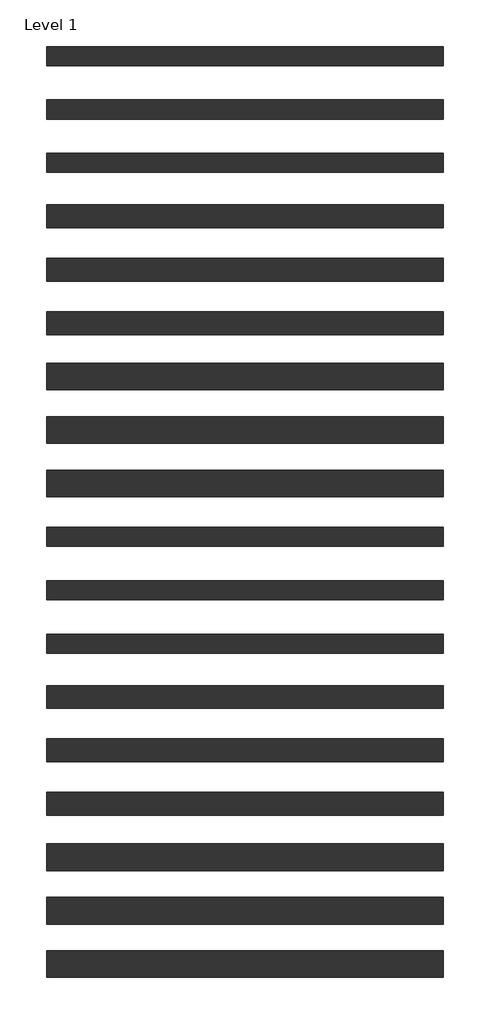
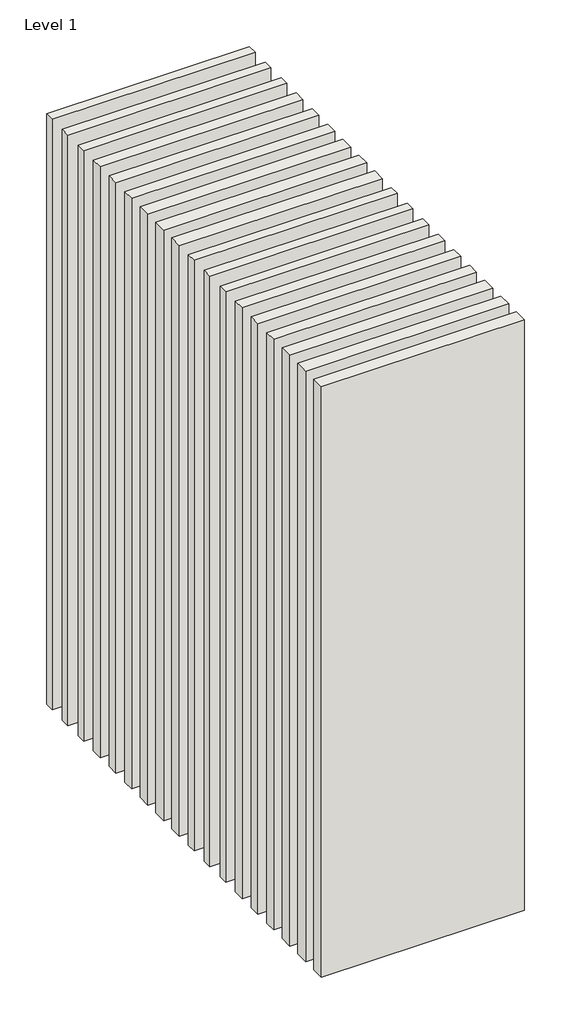
# One storey: 18 walls.
"""IFC4 building model written with IfcOpenShell, lengths in millimetres."""

from ifc_helpers import new_model, si_unit, origin, origin_with_axes, place, context, project, spatial, polyline, outline, extrude, element, save

model = new_model("IFC4")

# Units and contexts
model_context = context("Model", 3, world=origin())
ifc_project = project(units=[si_unit("LENGTHUNIT", "METRE", prefix="MILLI")], contexts=[model_context])

# Site, building, storey
site = spatial("IfcSite", under=ifc_project)
building = spatial("IfcBuilding", under=site)
storey = spatial("IfcBuildingStorey", under=building, Name="Level 1", Elevation=0.0)

# Walls
placement = place(None, origin())
element("IfcWall", 1, at=placement, inside=storey, context=model_context, shape_type="SweptSolid", body=[
    extrude(outline(polyline([(-16904.1464237, 2611.4042935), (-19504.1464237, 2611.4042935), (-19504.1464237, 2761.4042935), (-16904.1464237, 2761.4042935), (-16904.1464237, 2611.4042935)])), origin_with_axes(), (0.0, 0.0, 1.0), 8000.0),
])
element("IfcWall", 2, at=placement, inside=storey, context=model_context, shape_type="SweptSolid", body=[
    extrude(outline(polyline([(-16904.1464237, 2261.4042935), (-19504.1464237, 2261.4042935), (-19504.1464237, 2411.4042935), (-16904.1464237, 2411.4042935), (-16904.1464237, 2261.4042935)])), origin_with_axes(), (0.0, 0.0, 1.0), 8000.0),
])
element("IfcWall", 3, at=placement, inside=storey, context=model_context, shape_type="SweptSolid", body=[
    extrude(outline(polyline([(-16904.1464237, 1911.4042935), (-19504.1464237, 1911.4042935), (-19504.1464237, 2061.4042935), (-16904.1464237, 2061.4042935), (-16904.1464237, 1911.4042935)])), origin_with_axes(), (0.0, 0.0, 1.0), 8000.0),
])
element("IfcWall", 4, at=placement, inside=storey, context=model_context, shape_type="SweptSolid", body=[
    extrude(outline(polyline([(-16904.1464237, 3673.9042935), (-19504.1464237, 3673.9042935), (-19504.1464237, 3798.9042935), (-16904.1464237, 3798.9042935), (-16904.1464237, 3673.9042935)])), origin_with_axes(), (0.0, 0.0, 1.0), 8000.0),
])
element("IfcWall", 5, at=placement, inside=storey, context=model_context, shape_type="SweptSolid", body=[
    extrude(outline(polyline([(-16904.1464237, 3323.9042935), (-19504.1464237, 3323.9042935), (-19504.1464237, 3448.9042935), (-16904.1464237, 3448.9042935), (-16904.1464237, 3323.9042935)])), origin_with_axes(), (0.0, 0.0, 1.0), 8000.0),
])
element("IfcWall", 6, at=placement, inside=storey, context=model_context, shape_type="SweptSolid", body=[
    extrude(outline(polyline([(-16904.1464237, 2973.9042935), (-19504.1464237, 2973.9042935), (-19504.1464237, 3098.9042935), (-16904.1464237, 3098.9042935), (-16904.1464237, 2973.9042935)])), origin_with_axes(), (0.0, 0.0, 1.0), 8000.0),
])
element("IfcWall", 7, at=placement, inside=storey, context=model_context, shape_type="SweptSolid", body=[
    extrude(outline(polyline([(-16904.1464237, 1548.9042935), (-19504.1464237, 1548.9042935), (-19504.1464237, 1723.9042935), (-16904.1464237, 1723.9042935), (-16904.1464237, 1548.9042935)])), origin_with_axes(), (0.0, 0.0, 1.0), 8000.0),
])
element("IfcWall", 8, at=placement, inside=storey, context=model_context, shape_type="SweptSolid", body=[
    extrude(outline(polyline([(-16904.1464237, 1198.9042935), (-19504.1464237, 1198.9042935), (-19504.1464237, 1373.9042935), (-16904.1464237, 1373.9042935), (-16904.1464237, 1198.9042935)])), origin_with_axes(), (0.0, 0.0, 1.0), 8000.0),
])
element("IfcWall", 9, at=placement, inside=storey, context=model_context, shape_type="SweptSolid", body=[
    extrude(outline(polyline([(-16904.1464237, 848.9042935), (-19504.1464237, 848.9042935), (-19504.1464237, 1023.9042935), (-16904.1464237, 1023.9042935), (-16904.1464237, 848.9042935)])), origin_with_axes(), (0.0, 0.0, 1.0), 8000.0),
])
element("IfcWall", 10, at=placement, inside=storey, context=model_context, shape_type="SweptSolid", body=[
    extrude(outline(polyline([(-16904.1464237, 523.9042935), (-19504.1464237, 523.9042935), (-19504.1464237, 648.9042935), (-16904.1464237, 648.9042935), (-16904.1464237, 523.9042935)])), origin_with_axes(), (0.0, 0.0, 1.0), 8000.0),
])
element("IfcWall", 11, at=placement, inside=storey, context=model_context, shape_type="SweptSolid", body=[
    extrude(outline(polyline([(-16904.1464237, 173.9042935), (-19504.1464237, 173.9042935), (-19504.1464237, 298.9042935), (-16904.1464237, 298.9042935), (-16904.1464237, 173.9042935)])), origin_with_axes(), (0.0, 0.0, 1.0), 8000.0),
])
element("IfcWall", 12, at=placement, inside=storey, context=model_context, shape_type="SweptSolid", body=[
    extrude(outline(polyline([(-16904.1464237, -176.0957065), (-19504.1464237, -176.0957065), (-19504.1464237, -51.0957065), (-16904.1464237, -51.0957065), (-16904.1464237, -176.0957065)])), origin_with_axes(), (0.0, 0.0, 1.0), 8000.0),
])
element("IfcWall", 13, at=placement, inside=storey, context=model_context, shape_type="SweptSolid", body=[
    extrude(outline(polyline([(-16904.1464237, -538.5957065), (-19504.1464237, -538.5957065), (-19504.1464237, -388.5957065), (-16904.1464237, -388.5957065), (-16904.1464237, -538.5957065)])), origin_with_axes(), (0.0, 0.0, 1.0), 8000.0),
])
element("IfcWall", 14, at=placement, inside=storey, context=model_context, shape_type="SweptSolid", body=[
    extrude(outline(polyline([(-16904.1464237, -888.5957065), (-19504.1464237, -888.5957065), (-19504.1464237, -738.5957065), (-16904.1464237, -738.5957065), (-16904.1464237, -888.5957065)])), origin_with_axes(), (0.0, 0.0, 1.0), 8000.0),
])
element("IfcWall", 15, at=placement, inside=storey, context=model_context, shape_type="SweptSolid", body=[
    extrude(outline(polyline([(-16904.1464237, -1238.5957065), (-19504.1464237, -1238.5957065), (-19504.1464237, -1088.5957065), (-16904.1464237, -1088.5957065), (-16904.1464237, -1238.5957065)])), origin_with_axes(), (0.0, 0.0, 1.0), 8000.0),
])
element("IfcWall", 16, at=placement, inside=storey, context=model_context, shape_type="SweptSolid", body=[
    extrude(outline(polyline([(-16904.1464237, -1601.0957065), (-19504.1464237, -1601.0957065), (-19504.1464237, -1426.0957065), (-16904.1464237, -1426.0957065), (-16904.1464237, -1601.0957065)])), origin_with_axes(), (0.0, 0.0, 1.0), 8000.0),
])
element("IfcWall", 17, at=placement, inside=storey, context=model_context, shape_type="SweptSolid", body=[
    extrude(outline(polyline([(-16904.1464237, -1951.0957065), (-19504.1464237, -1951.0957065), (-19504.1464237, -1776.0957065), (-16904.1464237, -1776.0957065), (-16904.1464237, -1951.0957065)])), origin_with_axes(), (0.0, 0.0, 1.0), 8000.0),
])
element("IfcWall", 18, at=placement, inside=storey, context=model_context, shape_type="SweptSolid", body=[
    extrude(outline(polyline([(-16904.1464237, -2301.0957065), (-19504.1464237, -2301.0957065), (-19504.1464237, -2126.0957065), (-16904.1464237, -2126.0957065), (-16904.1464237, -2301.0957065)])), origin_with_axes(), (0.0, 0.0, 1.0), 8000.0),
])

save(model, "model.ifc")
